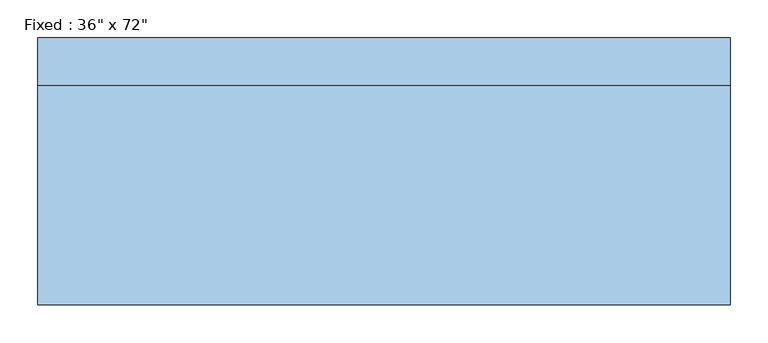
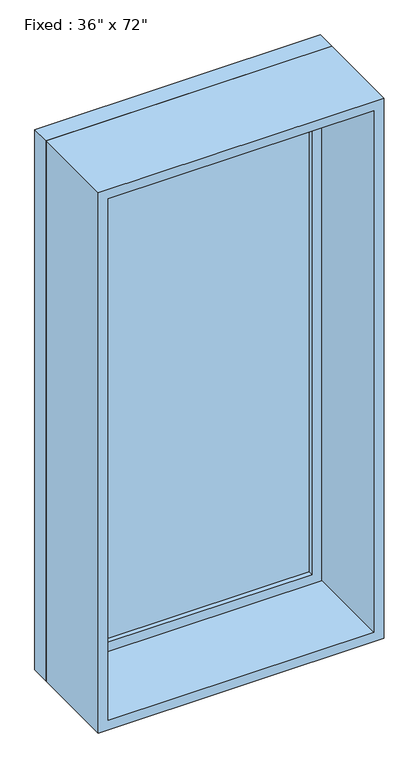
"""IFC4 building model written with IfcOpenShell, lengths in millimetres: window geometry."""

from ifc_helpers import new_model, si_unit, frame, origin, place, context, project, spatial, polyline, outline, extrude, source, transform, mapped, element, save


def window_145f8bd4(model_context):
    return source(origin(), model_context, "Body", "SweptSolid", [
        extrude(outline(polyline([(355.6, 128.5875), (-431.8, 128.5875), (-431.8, 141.2875), (355.6, 141.2875), (355.6, 128.5875)])), frame((0.0, 0.0, 368.3), z_axis=(0.0, 0.0, 1.0), x_axis=(1.0, 0.0, 0.0)), (0.0, 0.0, 1.0), 1701.8),
        extrude(outline(polyline([(2114.55, -476.25), (323.85, -476.25), (323.85, 400.05), (2114.55, 400.05), (2114.55, -476.25)]), holes=[polyline([(2070.1, -431.8), (2070.1, 355.6), (368.3, 355.6), (368.3, -431.8), (2070.1, -431.8)])]), frame((0.0, 112.7125, 0.0), z_axis=(0.0, 1.0, 0.0), x_axis=(0.0, 0.0, 1.0)), (0.0, 0.0, 1.0), 44.45),
        extrude(outline(polyline([(2133.6, -495.3), (304.8, -495.3), (304.8, 419.1), (2133.6, 419.1), (2133.6, -495.3)]), holes=[polyline([(2101.85, -463.55), (2101.85, 387.35), (336.55, 387.35), (336.55, -463.55), (2101.85, -463.55)])]), frame((0.0, -176.2125, 0.0), z_axis=(0.0, 1.0, 0.0), x_axis=(0.0, 0.0, 1.0)), (0.0, 0.0, 1.0), 288.925),
        extrude(outline(polyline([(2133.6, 419.1), (2133.6, -495.3), (304.8, -495.3), (304.8, 419.1), (2133.6, 419.1)]), holes=[polyline([(2114.55, 400.05), (323.85, 400.05), (323.85, -476.25), (2114.55, -476.25), (2114.55, 400.05)])]), frame((0.0, 112.7125, 0.0), z_axis=(0.0, 1.0, 0.0), x_axis=(0.0, 0.0, 1.0)), (0.0, 0.0, 1.0), 63.5),
    ])


if __name__ == "__main__":
    model = new_model("IFC4")
    model_context = context("Model", 3, world=origin())
    ifc_project = project(units=[si_unit("LENGTHUNIT", "METRE", prefix="MILLI")], contexts=[model_context])
    site = spatial("IfcSite", under=ifc_project)
    building = spatial("IfcBuilding", under=site)
    placement = place(None, origin())
    window_shape = window_145f8bd4(model_context)
    element("IfcWindow", 1, ObjectType="Fixed : 36\" x 72\"", at=placement, inside=building, context=model_context, shape_type="MappedRepresentation", body=[
        mapped(window_shape, transform((0.0, 0.0, 0.0), x_axis=(1.0, 0.0, 0.0), y_axis=(0.0, 1.0, 0.0), z_axis=(0.0, 0.0, 1.0))),
    ])
    save(model, "model.ifc")
